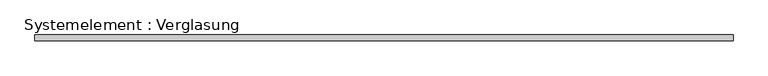
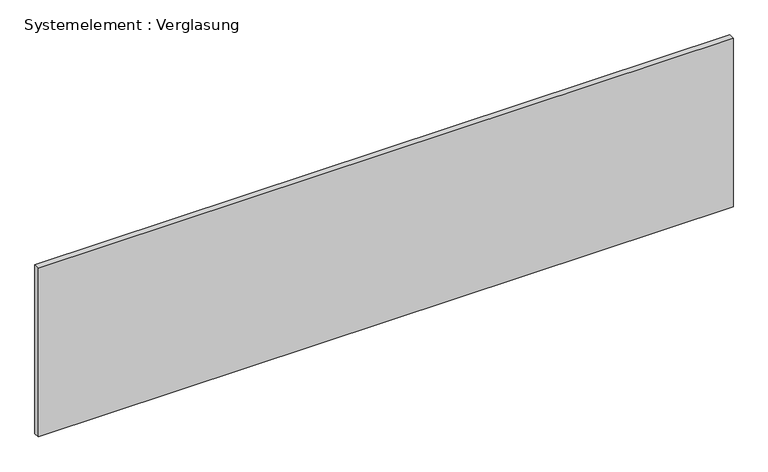
"""IFC4 building model written with IfcOpenShell, lengths in millimetres: plate geometry, Systemelement : Verglasung."""

from ifc_helpers import new_model, si_unit, origin, origin_with_axes, place, context, project, spatial, polyline, outline, extrude, source, transform, mapped, element, save


def systemelement_verglasung_55e77fb7(model_context):
    return source(origin(), model_context, "Body", "SweptSolid", [
        extrude(outline(polyline([(1774.2455717, -15.0), (-1774.2455717, -15.0), (-1774.2455717, 15.0), (1774.2455717, 15.0), (1774.2455717, -15.0)])), origin_with_axes(), (0.0, 0.0, 1.0), 910.0),
    ])


if __name__ == "__main__":
    model = new_model("IFC4")
    model_context = context("Model", 3, world=origin())
    ifc_project = project(units=[si_unit("LENGTHUNIT", "METRE", prefix="MILLI")], contexts=[model_context])
    site = spatial("IfcSite", under=ifc_project)
    building = spatial("IfcBuilding", under=site)
    placement = place(None, origin())
    systemelement_verglasung_shape = systemelement_verglasung_55e77fb7(model_context)
    element("IfcPlate", 1, ObjectType="Systemelement : Verglasung", at=placement, inside=building, context=model_context, shape_type="MappedRepresentation", body=[
        mapped(systemelement_verglasung_shape, transform((0.0, 0.0, 0.0), x_axis=(1.0, 0.0, 0.0), y_axis=(0.0, 1.0, 0.0), z_axis=(0.0, 0.0, 1.0))),
    ])
    save(model, "model.ifc")
